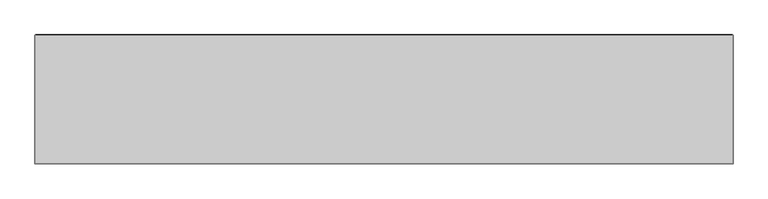
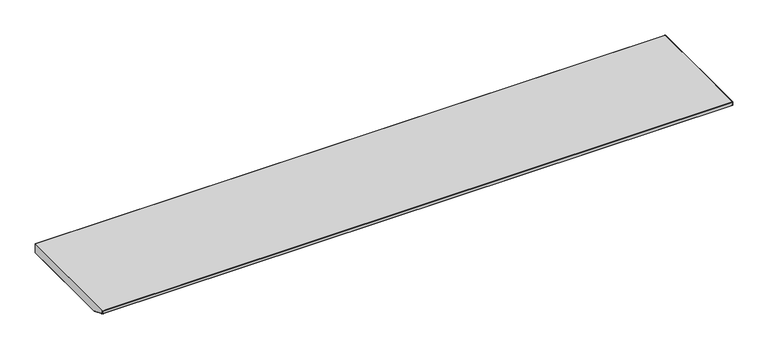
"""IFC4 building model written with IfcOpenShell, lengths in millimetres: furniture geometry."""

from ifc_helpers import new_model, si_unit, origin, place, context, project, spatial, triangles, source, transform, mapped, element, save


def furniture_5717784b(model_context):
    return source(origin(), model_context, "Body", "Tessellation", [
        triangles([(1675.6379826, -311.1500121, -0.762), (1675.6379826, -310.3879947, 0.0), (0.762, -310.3879947, 0.0), (0.762, -311.1500121, -0.762), (0.762, -311.1500121, -8.7630002), (0.0, -310.3879947, -0.762), (0.0, -310.3879947, -8.7630002), (0.762, -310.3879947, -9.525), (0.762, -272.2879947, -25.4000008), (1675.6379826, -272.2879947, -25.4000008), (1675.6379826, -310.3879947, -9.525), (0.762, -0.762, -25.4000008), (1675.6379826, -0.762, -25.4000008), (0.0, -0.762, -24.6379992), (0.0, -0.762, -0.762), (1675.6379826, -0.762, 0.0), (0.762, -0.762, 0.0), (1676.4, -0.762, -0.762), (1676.4, -310.3879947, -0.762), (1676.4, -310.3879947, -8.7630002), (1676.4, -0.762, -24.6379992), (1675.6379826, 0.0, -24.6379992), (1675.6379826, 0.0, -0.762), (0.762, 0.0, -24.6379992), (0.762, 0.0, -0.762), (1675.6379826, -311.1500121, -8.7630002), (-0.03175, -273.0499939, -24.6379992), (1676.4316841, -273.0499939, -24.6379992)], [[1, 2, 3], [1, 3, 4], [5, 4, 6], [5, 6, 7], [8, 9, 10], [8, 10, 11], [12, 13, 10], [12, 10, 9], [14, 7, 6], [14, 6, 15], [16, 17, 3], [16, 3, 2], [18, 19, 20], [18, 20, 21], [22, 23, 18], [22, 18, 21], [22, 13, 12], [22, 12, 24], [25, 24, 14], [25, 14, 15], [25, 17, 16], [25, 16, 23], [20, 19, 1], [20, 1, 26], [26, 1, 4], [26, 4, 5], [3, 6, 4], [15, 6, 3], [15, 3, 17], [15, 17, 25], [24, 12, 14], [14, 12, 9], [14, 9, 27], [16, 18, 23], [18, 16, 2], [18, 2, 19], [1, 19, 2], [22, 21, 13], [13, 21, 28], [13, 28, 10], [5, 8, 11], [5, 11, 26], [5, 7, 8], [26, 11, 20], [11, 10, 28], [11, 28, 20], [21, 28, 20], [7, 27, 9], [7, 9, 8], [7, 27, 14]], closed=False),
    ])


if __name__ == "__main__":
    model = new_model("IFC4")
    model_context = context("Model", 3, world=origin())
    ifc_project = project(units=[si_unit("LENGTHUNIT", "METRE", prefix="MILLI")], contexts=[model_context])
    site = spatial("IfcSite", under=ifc_project)
    building = spatial("IfcBuilding", under=site)
    placement = place(None, origin())
    furniture_shape = furniture_5717784b(model_context)
    element("IfcFurniture", 1, at=placement, inside=building, context=model_context, shape_type="MappedRepresentation", body=[
        mapped(furniture_shape, transform((0.0, 0.0, 0.0), x_axis=(1.0, 0.0, 0.0), y_axis=(0.0, 1.0, 0.0), z_axis=(0.0, 0.0, 1.0))),
    ])
    save(model, "model.ifc")
